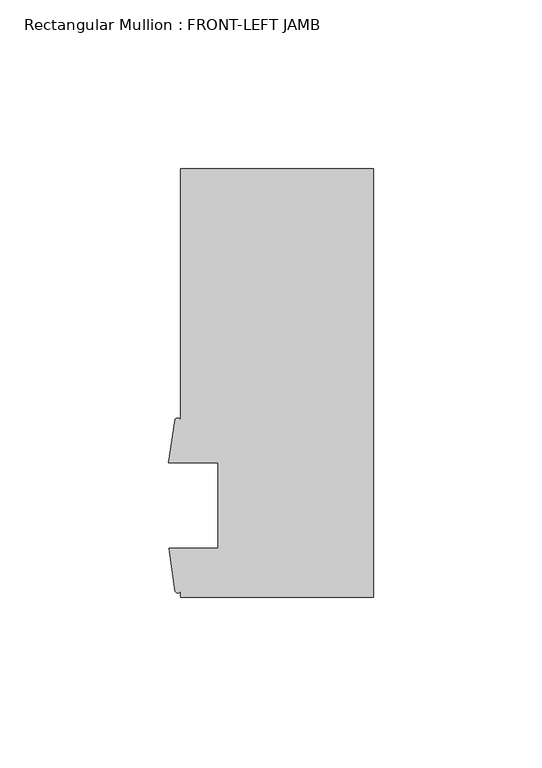
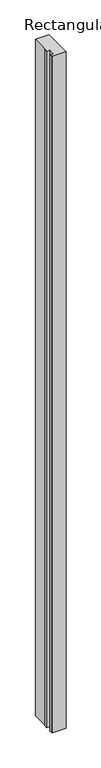
"""IFC4 building model written with IfcOpenShell, lengths in millimetres: member geometry, Rectangular Mullion : FRONT-LEFT JAMB."""

from ifc_helpers import new_model, si_unit, point, frame, frame_2d, origin, place, context, project, spatial, polyline, circle_curve, trimmed, segment, composite_curve, outline, extrude, source, transform, mapped, element, save


def rectangular_mullion_front_left_jamb_dd0b2bd4(model_context):
    return source(origin(), model_context, "Body", "SweptSolid", [
        extrude(outline(composite_curve([segment(polyline([(0.0, 87.1140625), (0.0, -39.8859375), (-57.15, -39.8859375), (-57.15, -38.1108468)]), True, "CONTINUOUS"), segment(trimmed(circle_curve(frame_2d((-57.945985, -37.719682)), 0.8869058), [point((-57.15, -38.1108468))], [point((-58.7419699, -38.1108468))], False, "CARTESIAN"), True, "CONTINUOUS"), segment(polyline([(-58.7419699, -38.1108468), (-60.546, -25.3824125), (-46.0375, -25.3824125), (-46.0375, 0.0175875), (-60.6695217, 0.0175875), (-58.8134044, 12.7906403)]), True, "CONTINUOUS"), segment(trimmed(circle_curve(frame_2d((-57.9817022, 12.273899)), 0.9791578), [point((-58.8134044, 12.7906403))], [point((-57.15, 12.7906403))], False, "CARTESIAN"), True, "CONTINUOUS"), segment(polyline([(-57.15, 12.7906403), (-57.15, 87.1140625), (0.0, 87.1140625)]), True, "CONTINUOUS")], self_intersect=False)), frame((0.0, 0.0, -3048.0), z_axis=(0.0, 0.0, 1.0), x_axis=(1.0, 0.0, 0.0)), (0.0, 0.0, 1.0), 3048.0),
    ])


if __name__ == "__main__":
    model = new_model("IFC4")
    model_context = context("Model", 3, world=origin())
    ifc_project = project(units=[si_unit("LENGTHUNIT", "METRE", prefix="MILLI")], contexts=[model_context])
    site = spatial("IfcSite", under=ifc_project)
    building = spatial("IfcBuilding", under=site)
    placement = place(None, origin())
    rectangular_mullion_front_left_jamb_shape = rectangular_mullion_front_left_jamb_dd0b2bd4(model_context)
    element("IfcMember", 1, ObjectType="Rectangular Mullion : FRONT-LEFT JAMB", at=placement, inside=building, context=model_context, shape_type="MappedRepresentation", body=[
        mapped(rectangular_mullion_front_left_jamb_shape, transform((0.0, 0.0, 0.0), x_axis=(1.0, 0.0, 0.0), y_axis=(0.0, 1.0, 0.0), z_axis=(0.0, 0.0, 1.0))),
    ])
    save(model, "model.ifc")
